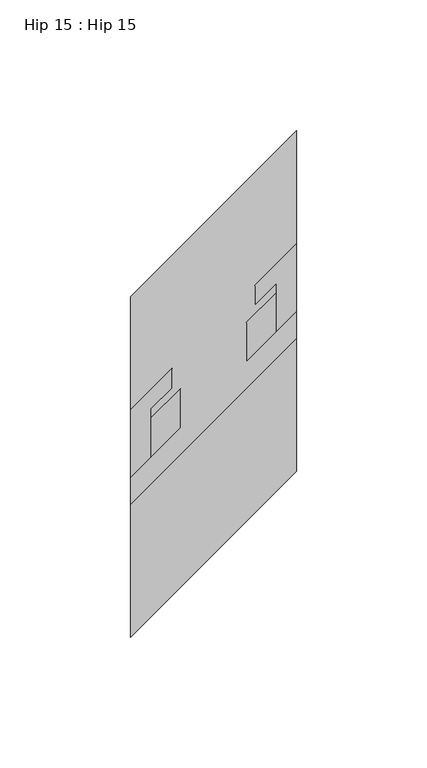
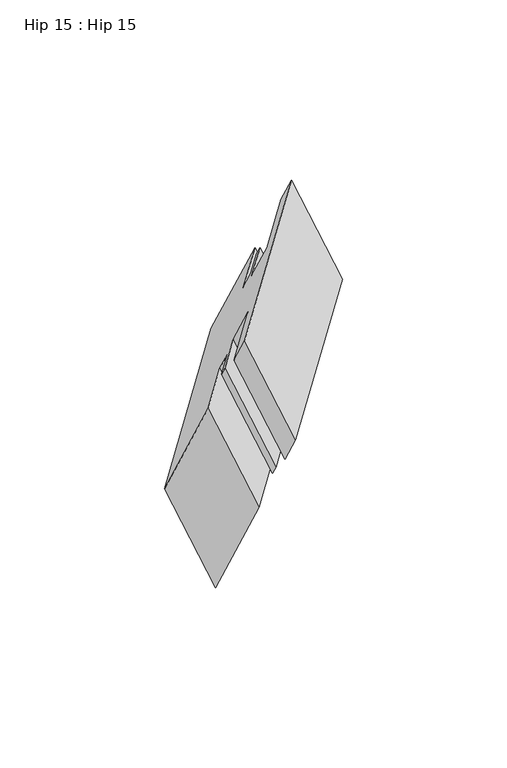
"""IFC4 building model written with IfcOpenShell, lengths in millimetres: proxy geometry, Hip 15 : Hip 15."""

from ifc_helpers import new_model, si_unit, origin, place, context, project, spatial, faceted_brep, source, transform, mapped, element, save


def hip_15_hip_15_7d715928(model_context):
    return source(origin(), model_context, "Body", "Brep", [
        faceted_brep([(-9585.3192107, 7189.0251657, 1350.8186617), (-9585.3192107, 7138.3576852, 1321.5657782), (-9521.8192107, 7201.8576852, 1358.2275203), (-9521.8192107, 7252.5251657, 1387.4804037), (-9521.8192107, 7212.1764352, 1340.354921), (-9521.8192107, 7262.8439157, 1369.6078045), (-9540.8692107, 7193.1454852, 1329.3234028), (-9540.8692107, 7243.8129657, 1358.5762863), (-9540.8692107, 7208.2076852, 1303.2349071), (-9540.8692107, 7258.8751657, 1332.4877906), (-9529.7440107, 7219.3328852, 1309.6580443), (-9529.7440107, 7270.0003657, 1338.9109278), (-9529.7440107, 7222.6487759, 1303.9147533), (-9529.7440107, 7273.3162563, 1333.1676368), (-9537.6942107, 7214.6985759, 1299.3247032), (-9537.6942107, 7265.3660563, 1328.5775867), (-9537.6942107, 7222.2792852, 1286.1945294), (-9537.6942107, 7272.9467657, 1315.4474129), (-9521.8192107, 7238.1542852, 1295.3599649), (-9521.8192107, 7288.8217657, 1324.6128484), (-9521.8192107, 7281.4231852, 1220.4160317), (-9521.8192107, 7332.0906657, 1249.6689152), (-9585.3192107, 7217.9231852, 1183.7542896), (-9585.3192107, 7268.5906657, 1213.0071731), (-9585.3192107, 7174.6542852, 1258.6982228), (-9585.3192107, 7225.3217657, 1287.9511063), (-9569.4442107, 7190.5292852, 1267.8636584), (-9569.4442107, 7241.1967657, 1297.1165418), (-9569.4442107, 7182.9981852, 1280.9079062), (-9569.4442107, 7233.6656657, 1310.1607897), (-9577.3944107, 7175.0479852, 1276.3178561), (-9577.3944107, 7225.7154657, 1305.5707396), (-9577.3944107, 7171.6889199, 1282.1359279), (-9577.3944107, 7222.3564004, 1311.3888114), (-9566.2692107, 7182.8141199, 1288.5590651), (-9566.2692107, 7233.4816004, 1317.8119486), (-9566.2692107, 7167.7454852, 1314.658706), (-9566.2692107, 7218.4129657, 1343.9115894), (-9585.3192107, 7148.6954852, 1303.6601833), (-9585.3192107, 7199.3629657, 1332.9130668)], [[[0, 1, 2, 3]], [[3, 2, 4, 5]], [[5, 4, 6, 7]], [[7, 6, 8, 9]], [[9, 8, 10, 11]], [[11, 10, 12, 13]], [[13, 12, 14, 15]], [[15, 14, 16, 17]], [[17, 16, 18, 19]], [[19, 18, 20, 21]], [[21, 20, 22, 23]], [[23, 22, 24, 25]], [[25, 24, 26, 27]], [[27, 26, 28, 29]], [[29, 28, 30, 31]], [[31, 30, 32, 33]], [[33, 32, 34, 35]], [[35, 34, 36, 37]], [[37, 36, 38, 39]], [[1, 0, 39, 38]], [[2, 1, 38, 36, 34, 32, 30, 28, 26, 24, 22, 20, 18, 16, 14, 12, 10, 8, 6, 4]], [[0, 3, 5, 7, 9, 11, 13, 15, 17, 19, 21, 23, 25, 27, 29, 31, 33, 35, 37, 39]]]),
    ])


if __name__ == "__main__":
    model = new_model("IFC4")
    model_context = context("Model", 3, world=origin())
    ifc_project = project(units=[si_unit("LENGTHUNIT", "METRE", prefix="MILLI")], contexts=[model_context])
    site = spatial("IfcSite", under=ifc_project)
    building = spatial("IfcBuilding", under=site)
    placement = place(None, origin())
    hip_15_hip_15_shape = hip_15_hip_15_7d715928(model_context)
    element("IfcBuildingElementProxy", 1, Name="Hip 15 : Hip 15", ObjectType="Hip 15 : Hip 15", at=placement, inside=building, context=model_context, shape_type="MappedRepresentation", body=[
        mapped(hip_15_hip_15_shape, transform((0.0, 0.0, 0.0), x_axis=(1.0, 0.0, 0.0), y_axis=(0.0, 1.0, 0.0), z_axis=(0.0, 0.0, 1.0))),
    ])
    save(model, "model.ifc")
